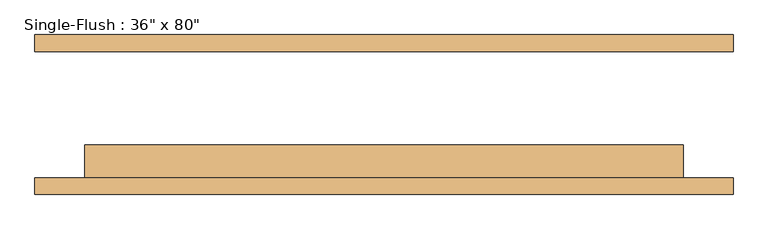
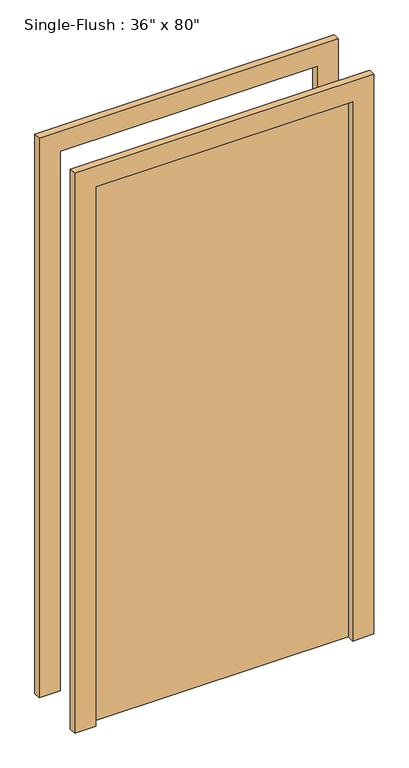
"""IFC4 building model written with IfcOpenShell, lengths in millimetres: door geometry."""

from ifc_helpers import new_model, si_unit, frame, origin, origin_with_axes, place, context, project, spatial, polyline, outline, extrude, source, transform, mapped, element, save


def door_b0a1d8a7(model_context):
    return source(origin(), model_context, "Body", "SweptSolid", [
        extrude(outline(polyline([(2108.2, -533.4), (0.0, -533.4), (0.0, -457.2), (2032.0, -457.2), (2032.0, 457.2), (0.0, 457.2), (0.0, 533.4), (2108.2, 533.4), (2108.2, -533.4)])), frame((0.0, -122.2375, 0.0), z_axis=(0.0, 1.0, 0.0), x_axis=(0.0, 0.0, 1.0)), (0.0, 0.0, 1.0), 25.4),
        extrude(outline(polyline([(2108.2, 533.4), (2108.2, -533.4), (0.0, -533.4), (0.0, -457.2), (2032.0, -457.2), (2032.0, 457.2), (0.0, 457.2), (0.0, 533.4), (2108.2, 533.4)])), frame((0.0, 96.8375, 0.0), z_axis=(0.0, 1.0, 0.0), x_axis=(0.0, 0.0, 1.0)), (0.0, 0.0, 1.0), 25.4),
        extrude(outline(polyline([(457.2, -46.0375), (457.2, -96.8375), (-457.2, -96.8375), (-457.2, -46.0375), (457.2, -46.0375)])), origin_with_axes(), (0.0, 0.0, 1.0), 2032.0),
    ])


if __name__ == "__main__":
    model = new_model("IFC4")
    model_context = context("Model", 3, world=origin())
    ifc_project = project(units=[si_unit("LENGTHUNIT", "METRE", prefix="MILLI")], contexts=[model_context])
    site = spatial("IfcSite", under=ifc_project)
    building = spatial("IfcBuilding", under=site)
    placement = place(None, origin())
    door_shape = door_b0a1d8a7(model_context)
    element("IfcDoor", 1, ObjectType="Single-Flush : 36\" x 80\"", at=placement, inside=building, context=model_context, shape_type="MappedRepresentation", body=[
        mapped(door_shape, transform((0.0, 0.0, 0.0), x_axis=(1.0, 0.0, 0.0), y_axis=(0.0, 1.0, 0.0), z_axis=(0.0, 0.0, 1.0))),
    ])
    save(model, "model.ifc")
